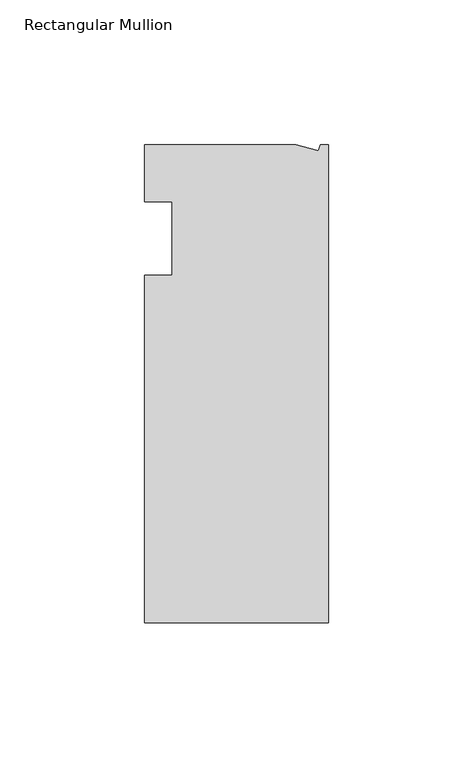
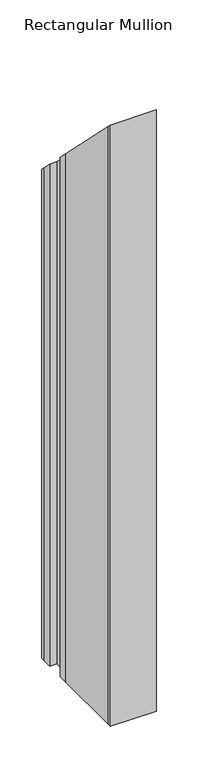
"""IFC4 building model written with IfcOpenShell, lengths in millimetres: member geometry, Rectangular Mullion."""

from ifc_helpers import new_model, si_unit, origin, place, context, project, spatial, faceted_brep, source, transform, mapped, element, save


def rectangular_mullion_9e4948bb(model_context):
    return source(origin(), model_context, "Body", "Brep", [
        faceted_brep([(-11.1265412, 19.6597595, -736.6), (-3.3457217, 17.5748952, -736.6), (-2.787084, 19.6597595, -736.6), (0.0, 19.6597595, -736.6), (0.0, -145.4402405, -736.6), (-63.5, -145.4402405, -736.6), (-63.5, -139.0912246, -736.6), (-63.5, -38.3358837, -736.6), (-63.5, -25.4, -736.6), (-53.975, -25.4, -736.6), (-53.975, 0.0, -736.6), (-63.5, 0.0, -736.6), (-63.5, 13.6093403, -736.6), (-63.5, 19.6597595, -736.6), (-63.5, 19.6597595, -19.6597595), (-11.1265412, 19.6597595, -19.6597595), (-63.5, 0.0, 0.0), (-63.5, 13.6093403, -13.6093403), (-53.975, 0.0, 0.0), (-53.975, -25.4, 25.4), (-63.5, -25.4, 25.4), (-63.5, -139.0912246, 139.0912246), (-63.5, -38.3358837, 38.3358837), (0.0, -145.4402405, 145.4402405), (-63.5, -145.4402405, 145.4402405), (0.0, 19.6597595, -19.6597595), (-2.787084, 19.6597595, -19.6597595), (-3.3457217, 17.5748952, -17.5748952)], [[[0, 1, 2, 3, 4, 5, 6, 7, 8, 9, 10, 11, 12, 13]], [[14, 15, 0, 13]], [[16, 17, 12, 11]], [[18, 16, 11, 10]], [[19, 18, 10, 9]], [[20, 19, 9, 8]], [[21, 22, 7, 6]], [[23, 24, 5, 4]], [[25, 23, 4, 3]], [[26, 25, 3, 2]], [[27, 26, 2, 1]], [[15, 27, 1, 0]], [[15, 14, 17, 16, 18, 19, 20, 22, 21, 24, 23, 25, 26, 27]], [[24, 21, 6, 5]], [[17, 14, 13, 12]], [[22, 20, 8, 7]]]),
    ])


if __name__ == "__main__":
    model = new_model("IFC4")
    model_context = context("Model", 3, world=origin())
    ifc_project = project(units=[si_unit("LENGTHUNIT", "METRE", prefix="MILLI")], contexts=[model_context])
    site = spatial("IfcSite", under=ifc_project)
    building = spatial("IfcBuilding", under=site)
    placement = place(None, origin())
    rectangular_mullion_shape = rectangular_mullion_9e4948bb(model_context)
    element("IfcMember", 1, ObjectType="Rectangular Mullion", at=placement, inside=building, context=model_context, shape_type="MappedRepresentation", body=[
        mapped(rectangular_mullion_shape, transform((0.0, 0.0, 0.0), x_axis=(1.0, 0.0, 0.0), y_axis=(0.0, 1.0, 0.0), z_axis=(0.0, 0.0, 1.0))),
    ])
    save(model, "model.ifc")
